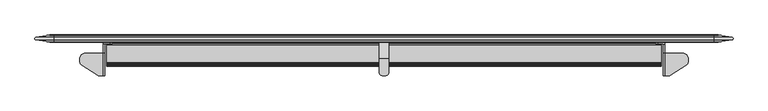
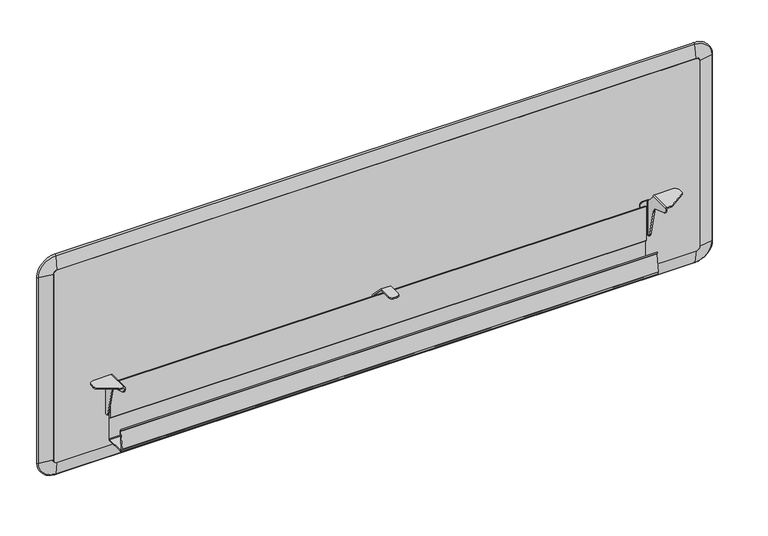
"""IFC4 building model written with IfcOpenShell, lengths in millimetres: furniture geometry."""

from ifc_helpers import new_model, si_unit, point, frame, frame_2d, origin, place, context, project, spatial, polyline, circle_curve, ellipse_curve, trimmed, segment, composite_curve, outline, extrude, source, transform, mapped, element, save
from ifc_brep_helpers import plane_surface, cylinder_surface, revolved_surface, advanced_brep


def furniture_add8d156(model_context):
    return source(origin(), model_context, "Body", "SolidModel", [
        advanced_brep(
        [(37.8460002, 26.549624, 1019.1897249), (47.2440002, 26.549624, 1028.5877249), (47.2440002, 31.9712442, 1064.189321), (2.2444041, 31.9712442, 1019.1897249), (37.8460002, 43.0596241, 1019.1897249), (47.2440002, 43.0596241, 1028.5877249), (2.2444041, 37.638004, 1019.1897249), (47.2440002, 37.638004, 1064.189321), (2.2444041, 31.9712442, 503.0871249), (37.8460002, 26.549624, 503.0871249), (37.8460002, 43.0596241, 503.0871249), (2.2444041, 37.638004, 503.0871249), (47.2440002, 26.549624, 493.6891249), (47.2440002, 31.9712442, 458.0875287), (47.2440002, 43.0596241, 493.6891249), (47.2440002, 37.638004, 458.0875287), (1727.4539998, 31.9712442, 458.0875287), (1727.4539998, 26.549624, 493.6891249), (1727.4539998, 43.0596241, 493.6891249), (1727.4539998, 37.638004, 458.0875287), (1736.8519998, 26.549624, 503.0871249), (1772.4535959, 31.9712442, 503.0871249), (1772.4535959, 31.9712442, 1019.1897249), (1736.8519998, 26.549624, 1019.1897249), (1736.8519998, 43.0596241, 503.0871249), (1736.8519998, 43.0596241, 1019.1897249), (1772.4535959, 37.638004, 503.0871249), (1772.4535959, 37.638004, 1019.1897249), (1727.4539998, 26.549624, 1028.5877249), (1727.4539998, 31.9712442, 1064.189321), (1727.4539998, 43.0596241, 1028.5877249), (1727.4539998, 37.638004, 1064.189321)],
        [
            (0, 1, circle_curve(frame((47.2440002, 26.549624, 1019.1897249), z_axis=(0.0, 1.0, 0.0), x_axis=(0.0, 0.0, 1.0)), 9.398)),
            (1, 2),
            (2, 3, circle_curve(frame((47.2440002, 31.9712442, 1019.1897249), z_axis=(0.0, -1.0, 0.0), x_axis=(0.0, 0.0, 1.0)), 44.9995962)),
            (3, 0),
            (4, 5, circle_curve(frame((47.2440002, 43.0596241, 1019.1897249), z_axis=(0.0, 1.0, 0.0), x_axis=(0.0, 0.0, 1.0)), 9.398)),
            (5, 1),
            (0, 4),
            (6, 7, circle_curve(frame((47.2440002, 37.638004, 1019.1897249), z_axis=(0.0, 1.0, 0.0), x_axis=(0.0, 0.0, 1.0)), 44.9995962)),
            (7, 5),
            (4, 6),
            (2, 7, circle_curve(frame((47.2440002, 34.8046241, 1063.7578373), z_axis=(-1.0, 0.0, 0.0), x_axis=(0.0, 0.0, -1.0)), 2.866046)),
            (6, 3, circle_curve(frame((2.6758878, 34.8046241, 1019.1897249), z_axis=(-1.656996421875594e-12, 0.0, 1.0), x_axis=(1.0, 0.0, 1.656996421875594e-12)), 2.866046)),
            (3, 8),
            (8, 9),
            (9, 0),
            (9, 10),
            (10, 4),
            (10, 11),
            (11, 6),
            (11, 8, circle_curve(frame((2.6758878, 34.8046241, 503.0871249), z_axis=(0.0, 0.0, 1.0), x_axis=(1.0, 0.0, 0.0)), 2.866046)),
            (12, 9, circle_curve(frame((47.2440002, 26.549624, 503.0871249), z_axis=(0.0, 1.0, 0.0), x_axis=(-1.0, 0.0, 0.0)), 9.398)),
            (8, 13, circle_curve(frame((47.2440002, 31.9712442, 503.0871249), z_axis=(0.0, -1.0, 0.0), x_axis=(-1.0, 0.0, 0.0)), 44.9995962)),
            (13, 12),
            (14, 10, circle_curve(frame((47.2440002, 43.0596241, 503.0871249), z_axis=(0.0, 1.0, 0.0), x_axis=(-1.0, 0.0, 0.0)), 9.398)),
            (12, 14),
            (15, 11, circle_curve(frame((47.2440002, 37.638004, 503.0871249), z_axis=(0.0, 1.0, 0.0), x_axis=(-1.0, 0.0, 0.0)), 44.9995962)),
            (14, 15),
            (15, 13, circle_curve(frame((47.2440002, 34.8046241, 458.5190124), z_axis=(-1.0, 0.0, 0.0), x_axis=(0.0, 0.0, 1.0)), 2.866046)),
            (13, 16),
            (16, 17),
            (17, 12),
            (17, 18),
            (18, 14),
            (18, 19),
            (19, 15),
            (19, 16, circle_curve(frame((1727.4539998, 34.8046241, 458.5190124), z_axis=(-1.0, 0.0, 0.0), x_axis=(0.0, 0.0, 1.0)), 2.866046)),
            (20, 21),
            (21, 22),
            (22, 23),
            (23, 20),
            (24, 20),
            (23, 25),
            (25, 24),
            (26, 24),
            (25, 27),
            (27, 26),
            (21, 26, circle_curve(frame((1772.0221122, 34.8046241, 503.0871249), z_axis=(0.0, 0.0, 1.0), x_axis=(-1.0, 0.0, 0.0)), 2.866046)),
            (27, 22, circle_curve(frame((1772.0221122, 34.8046241, 1019.1897249), z_axis=(0.0, 0.0, -1.0), x_axis=(-1.0, 0.0, 0.0)), 2.866046)),
            (28, 23, circle_curve(frame((1727.4539998, 26.549624, 1019.1897249), z_axis=(0.0, 1.0, 0.0), x_axis=(1.0, 0.0, 0.0)), 9.398)),
            (22, 29, circle_curve(frame((1727.4539998, 31.9712442, 1019.1897249), z_axis=(0.0, -1.0, 0.0), x_axis=(1.0, 0.0, 0.0)), 44.9995962)),
            (29, 28),
            (30, 25, circle_curve(frame((1727.4539998, 43.0596241, 1019.1897249), z_axis=(0.0, 1.0, 0.0), x_axis=(1.0, 0.0, 0.0)), 9.398)),
            (28, 30),
            (31, 27, circle_curve(frame((1727.4539998, 37.638004, 1019.1897249), z_axis=(0.0, 1.0, 0.0), x_axis=(1.0, 0.0, 0.0)), 44.9995962)),
            (30, 31),
            (31, 29, circle_curve(frame((1727.4539998, 34.8046241, 1063.7578373), z_axis=(1.0, 0.0, 0.0), x_axis=(0.0, 0.0, -1.0)), 2.866046)),
            (29, 2),
            (1, 28),
            (5, 30),
            (7, 31),
            (20, 17, circle_curve(frame((1727.4539998, 26.549624, 503.0871249), z_axis=(0.0, 1.0, 0.0), x_axis=(0.0, 0.0, -1.0)), 9.398)),
            (16, 21, circle_curve(frame((1727.4539998, 31.9712442, 503.0871249), z_axis=(0.0, -1.0, 0.0), x_axis=(0.0, 0.0, -1.0)), 44.9995962)),
            (24, 18, circle_curve(frame((1727.4539998, 43.0596241, 503.0871249), z_axis=(0.0, 1.0, 0.0), x_axis=(0.0, 0.0, -1.0)), 9.398)),
            (26, 19, circle_curve(frame((1727.4539998, 37.638004, 503.0871249), z_axis=(0.0, 1.0, 0.0), x_axis=(0.0, 0.0, -1.0)), 44.9995962)),
        ],
        [
            revolved_surface(polyline([(47.2440002, 31.9712442, 1064.189321), (47.2440002, 26.549624, 1028.5877249)]), (47.2440002, 34.8046241, 1019.1897249), (0.0, -1.0, 0.0)),
            revolved_surface(polyline([(47.2440002, 26.549624, 1028.5877249), (47.2440002, 43.0596241, 1028.5877249)]), (47.2440002, 34.8046241, 1019.1897249), (0.0, -1.0, 0.0)),
            revolved_surface(polyline([(47.2440002, 43.0596241, 1028.5877249), (47.2440002, 37.638004, 1064.189321)]), (47.2440002, 34.8046241, 1019.1897249), (0.0, -1.0, 0.0)),
            revolved_surface(trimmed(ellipse_curve(frame((47.2440002, 34.8046241, 1063.7578373), z_axis=(1.0, 0.0, 0.0), x_axis=(0.0, 0.0, -1.0)), 2.866046, 2.866046), [point((47.2440002, 37.638004, 1064.189321))], [point((47.2440002, 31.9712442, 1064.189321))], True, "CARTESIAN"), (47.2440002, 34.8046241, 1019.1897249), (0.0, -1.0, 0.0)),
            plane_surface(frame((2.2444041, 31.9712442, 1019.1897249), z_axis=(-0.1505501753136433, -0.9886023693644637, 0.0), x_axis=(0.0, 0.0, -1.0))),
            plane_surface(frame((37.8460002, 26.549624, 1019.1897249), z_axis=(1.0, 0.0, 0.0), x_axis=(0.0, 0.0, -1.0))),
            plane_surface(frame((37.8460002, 43.0596241, 1019.1897249), z_axis=(-0.1505501753136385, 0.9886023693644643, 0.0), x_axis=(0.0, 0.0, -1.0))),
            cylinder_surface(frame((2.6758878, 34.8046241, 1019.1897249), z_axis=(0.0, 0.0, 1.0), x_axis=(1.0, 0.0, 0.0)), 2.866046),
            revolved_surface(polyline([(2.2444041, 31.9712442, 503.0871249), (37.8460002, 26.549624, 503.0871249)]), (47.2440002, 34.8046241, 503.0871249), (0.0, -1.0, 0.0)),
            revolved_surface(polyline([(37.846000200000006, 26.549624, 503.0871249), (37.846000200000006, 43.0596241, 503.0871249)]), (47.2440002, 34.8046241, 503.0871249), (0.0, -1.0, 0.0)),
            revolved_surface(polyline([(37.8460002, 43.0596241, 503.0871249), (2.2444041, 37.638004, 503.0871249)]), (47.2440002, 34.8046241, 503.0871249), (0.0, -1.0, 0.0)),
            revolved_surface(trimmed(ellipse_curve(frame((2.6758878, 34.8046241, 503.0871249), z_axis=(0.0, 0.0, 1.0), x_axis=(1.0, 0.0, 0.0)), 2.866046, 2.866046), [point((2.2444041, 37.638004, 503.0871249))], [point((2.2444041, 31.9712442, 503.0871249))], True, "CARTESIAN"), (47.2440002, 34.8046241, 503.0871249), (0.0, -1.0, 0.0)),
            plane_surface(frame((47.2440002, 31.9712442, 458.0875287), z_axis=(0.0, -0.9886023693644641, -0.1505501753136401), x_axis=(1.0, 0.0, 0.0))),
            plane_surface(frame((47.2440002, 26.549624, 493.6891249), z_axis=(0.0, 0.0, 1.0), x_axis=(1.0, 0.0, 0.0))),
            plane_surface(frame((47.2440002, 43.0596241, 493.6891249), z_axis=(0.0, 0.9886023693644639, -0.1505501753136417), x_axis=(1.0, 0.0, 0.0))),
            cylinder_surface(frame((47.2440002, 34.8046241, 458.5190124), z_axis=(-1.0, 0.0, 0.0), x_axis=(0.0, 0.0, 1.0)), 2.866046),
            plane_surface(frame((1772.4535959, 31.9712442, 503.0871249), z_axis=(0.1505501753136369, -0.9886023693644646, 0.0), x_axis=(0.0, 0.0, 1.0))),
            plane_surface(frame((1736.8519998, 26.549624, 503.0871249), z_axis=(-1.0, 0.0, 0.0), x_axis=(0.0, 0.0, 1.0))),
            plane_surface(frame((1736.8519998, 43.0596241, 503.0871249), z_axis=(0.1505501753136449, 0.9886023693644634, 0.0), x_axis=(0.0, 0.0, 1.0))),
            cylinder_surface(frame((1772.0221122, 34.8046241, 503.0871249), z_axis=(0.0, 0.0, -1.0), x_axis=(-1.0, 0.0, 0.0)), 2.866046),
            revolved_surface(polyline([(1772.4535959, 31.9712442, 1019.1897249), (1736.8519998, 26.549624, 1019.1897249)]), (1727.4539998, 34.8046241, 1019.1897249), (0.0, -1.0, 0.0)),
            revolved_surface(polyline([(1736.8519998, 26.549624, 1019.1897249), (1736.8519998, 43.0596241, 1019.1897249)]), (1727.4539998, 34.8046241, 1019.1897249), (0.0, -1.0, 0.0)),
            revolved_surface(polyline([(1736.8519998, 43.0596241, 1019.1897249), (1772.4535959, 37.638004, 1019.1897249)]), (1727.4539998, 34.8046241, 1019.1897249), (0.0, -1.0, 0.0)),
            revolved_surface(trimmed(ellipse_curve(frame((1772.0221122, 34.8046241, 1019.1897249), z_axis=(0.0, 0.0, -1.0), x_axis=(-1.0, 0.0, 0.0)), 2.866046, 2.866046), [point((1772.4535959, 37.638004, 1019.1897249))], [point((1772.4535959, 31.9712442, 1019.1897249))], True, "CARTESIAN"), (1727.4539998, 34.8046241, 1019.1897249), (0.0, -1.0, 0.0)),
            plane_surface(frame((1727.4539998, 31.9712442, 1064.189321), z_axis=(0.0, -0.9886023693644641, 0.1505501753136401), x_axis=(-1.0, 0.0, 0.0))),
            plane_surface(frame((1727.4539998, 26.549624, 1028.5877249), z_axis=(0.0, 0.0, -1.0), x_axis=(-1.0, 0.0, 0.0))),
            plane_surface(frame((1727.4539998, 43.0596241, 1028.5877249), z_axis=(0.0, 0.9886023693644639, 0.1505501753136417), x_axis=(-1.0, 0.0, 0.0))),
            cylinder_surface(frame((1727.4539998, 34.8046241, 1063.7578373), z_axis=(1.0, 0.0, 0.0), x_axis=(0.0, 0.0, -1.0)), 2.866046),
            revolved_surface(polyline([(1727.4539998, 31.9712442, 458.0875287), (1727.4539998, 26.549624, 493.6891249)]), (1727.4539998, 34.8046241, 503.0871249), (0.0, -1.0, 0.0)),
            revolved_surface(polyline([(1727.4539998, 26.549624, 493.68912489999997), (1727.4539998, 43.0596241, 493.68912489999997)]), (1727.4539998, 34.8046241, 503.0871249), (0.0, -1.0, 0.0)),
            revolved_surface(polyline([(1727.4539998, 43.0596241, 493.6891249), (1727.4539998, 37.638004, 458.0875287)]), (1727.4539998, 34.8046241, 503.0871249), (0.0, -1.0, 0.0)),
            revolved_surface(trimmed(ellipse_curve(frame((1727.4539998, 34.8046241, 458.5190124), z_axis=(-1.0, 0.0, 0.0), x_axis=(0.0, 0.0, 1.0)), 2.866046, 2.866046), [point((1727.4539998, 37.638004, 458.0875287))], [point((1727.4539998, 31.9712442, 458.0875287))], True, "CARTESIAN"), (1727.4539998, 34.8046241, 503.0871249), (0.0, -1.0, 0.0)),
        ],
        [
            (0, [[1, 2, 3, 4]]),
            (1, [[5, 6, -1, 7]]),
            (2, [[8, 9, -5, 10]]),
            (3, [[-3, 11, -8, 12]]),
            (4, [[-4, 13, 14, 15]]),
            (5, [[-7, -15, 16, 17]]),
            (6, [[-10, -17, 18, 19]]),
            (7, [[-12, -19, 20, -13]]),
            (8, [[21, -14, 22, 23]]),
            (9, [[24, -16, -21, 25]]),
            (10, [[26, -18, -24, 27]]),
            (11, [[-22, -20, -26, 28]]),
            (12, [[-23, 29, 30, 31]]),
            (13, [[-25, -31, 32, 33]]),
            (14, [[-27, -33, 34, 35]]),
            (15, [[-28, -35, 36, -29]]),
            (16, [[37, 38, 39, 40]]),
            (17, [[41, -40, 42, 43]]),
            (18, [[44, -43, 45, 46]]),
            (19, [[47, -46, 48, -38]]),
            (20, [[49, -39, 50, 51]]),
            (21, [[52, -42, -49, 53]]),
            (22, [[54, -45, -52, 55]]),
            (23, [[-50, -48, -54, 56]]),
            (24, [[-51, 57, -2, 58]]),
            (25, [[-53, -58, -6, 59]]),
            (26, [[-55, -59, -9, 60]]),
            (27, [[-56, -60, -11, -57]]),
            (28, [[61, -30, 62, -37]]),
            (29, [[63, -32, -61, -41]]),
            (30, [[64, -34, -63, -44]]),
            (31, [[-62, -36, -64, -47]]),
        ],
    ),
        extrude(outline(composite_curve([segment(polyline([(1028.5877249, 1727.4539998), (1028.5877249, 47.2440002)]), True, "CONTINUOUS"), segment(trimmed(circle_curve(frame_2d((1019.1897249, 47.2440002)), 9.398), [point((1028.5877249, 47.2440002))], [point((1019.1897249, 37.8460002))], False, "CARTESIAN"), True, "CONTINUOUS"), segment(polyline([(1019.1897249, 37.8460002), (503.0871249, 37.8460002)]), True, "CONTINUOUS"), segment(trimmed(circle_curve(frame_2d((503.0871249, 47.2440002)), 9.398), [point((503.0871249, 37.8460002))], [point((493.6891249, 47.2440002))], False, "CARTESIAN"), True, "CONTINUOUS"), segment(polyline([(493.6891249, 47.2440002), (493.6891249, 1727.4539998)]), True, "CONTINUOUS"), segment(trimmed(circle_curve(frame_2d((503.0871249, 1727.4539998)), 9.398), [point((493.6891249, 1727.4539998))], [point((503.0871249, 1736.8519998))], False, "CARTESIAN"), True, "CONTINUOUS"), segment(polyline([(503.0871249, 1736.8519998), (1019.1897249, 1736.8519998)]), True, "CONTINUOUS"), segment(trimmed(circle_curve(frame_2d((1019.1897249, 1727.4539998)), 9.398), [point((1019.1897249, 1736.8519998))], [point((1028.5877249, 1727.4539998))], False, "CARTESIAN"), True, "CONTINUOUS")], self_intersect=False)), frame((0.0, 25.4066228, 0.0), z_axis=(0.0, 1.0, 0.0), x_axis=(0.0, 0.0, 1.0)), (0.0, 0.0, 1.0), 18.7960025),
        extrude(outline(composite_curve([segment(polyline([(-29.6214455, 566.0400135), (-32.2417275, 568.6602751), (-31.9020339, 572.8107121), (-26.2692382, 567.1779164), (-32.5488339, 519.4796569)]), True, "CONTINUOUS"), segment(trimmed(circle_curve(frame_2d((-26.2531591, 518.6508155)), 6.35), [point((-32.5488339, 519.4796569))], [point((-26.2531591, 512.3008155))], True, "CARTESIAN"), True, "CONTINUOUS"), segment(polyline([(-26.2531591, 512.3008155), (20.6071565, 512.3008155), (22.1946573, 513.8882913), (22.1946573, 570.4668145), (19.0196569, 573.6418024), (19.0196569, 667.977396), (22.1946573, 667.977396), (22.1946573, 574.9569474), (25.3696565, 571.7819232), (25.3696565, 512.3008155), (24.4397214, 510.055749), (22.1946573, 509.1257913), (-26.0079813, 509.1257913)]), True, "CONTINUOUS"), segment(trimmed(circle_curve(frame_2d((-26.0079813, 518.8658104)), 9.7400191), [point((-26.0079813, 509.1257913))], [point((-35.6646732, 520.1371379))], False, "CARTESIAN"), True, "CONTINUOUS"), segment(polyline([(-35.6646732, 520.1371379), (-29.6214455, 566.0400135)]), True, "CONTINUOUS")], self_intersect=False)), frame((183.0831925, 0.0, 0.0), z_axis=(1.0, 0.0, 0.0), x_axis=(0.0, 1.0, 0.0)), (0.0, 0.0, 1.0), 1408.5316072),
        advanced_brep(
        [(1596.1359998, 22.0728737, 681.0643879), (1597.6599983, 20.5488729, 681.0643879), (1600.7079954, 20.5488729, 681.0643879), (1600.7079954, 25.1208731, 681.0643879), (1584.7059985, 25.1208731, 681.0643879), (1584.7059985, 22.0728737, 681.0643879), (1600.7079998, 18.5173958, 585.8154416), (1597.6599998, 18.5173958, 585.8154416), (1597.6599998, 20.5488729, 585.8154416), (1596.1359998, 22.0728737, 585.8154416), (1584.7059985, 22.0728737, 585.8154416), (1584.7059985, 25.1208731, 585.8154416), (1600.7079954, 25.1208731, 585.8154416), (1600.7079954, 20.5488729, 681.3737901), (1600.7079954, -2.6141187, 706.2063852), (1600.7079954, -59.9691275, 706.2063881), (1600.7079954, -59.9691275, 703.6685243), (1600.7079954, -51.0192378, 691.5348244), (1600.7079954, -19.5344252, 681.8039492), (1600.7079954, -4.0487508, 665.2685282), (1600.7079954, 14.0702213, 589.3263938), (1578.3559985, 25.1208731, 592.1654416), (1578.3559985, 25.1208731, 674.7143879), (1578.3559985, 22.0728737, 674.7143879), (1578.3559985, 22.0728737, 592.1654416), (1602.2827917, -59.9691275, 707.7811438), (1610.5824919, -59.9691275, 707.7811438), (1610.5824919, -59.9691275, 710.8545753), (1600.8349998, -59.9691275, 710.8545753), (1597.6599998, -59.9691275, 707.6795753), (1597.6599998, -59.9691275, 703.6685243), (1597.6599998, -2.6141187, 706.2063852), (1597.6599998, -2.6141187, 707.6795753), (1600.8349998, -2.6141187, 710.8545753), (1647.3169927, -2.6141187, 710.8545753), (1647.3169927, -2.6141187, 707.7811438), (1602.2827917, -2.6141187, 707.7811438), (1597.6599998, 20.5488729, 681.3737901), (1597.6599998, 14.0702213, 589.3263938), (1597.6599998, -4.0487508, 665.2685282), (1597.6599998, -19.5344252, 681.8039492), (1597.6599998, -51.0192378, 691.5348244), (1615.4892117, -58.4923724, 710.8545753), (1656.6687126, -31.236255, 710.8545753), (1660.6519927, -23.8230101, 710.8545753), (1660.6519927, -15.9491187, 710.8545753), (1656.6687126, -31.236255, 707.7811438), (1615.4892117, -58.4923724, 707.7811438), (1660.6519927, -15.9491187, 707.7811438), (1660.6519927, -23.8230101, 707.7811438)],
        [
            (0, 1),
            (1, 2),
            (2, 3),
            (3, 4),
            (4, 5),
            (5, 0),
            (6, 7),
            (7, 8),
            (8, 9),
            (9, 10),
            (10, 11),
            (11, 12),
            (12, 6),
            (0, 9),
            (8, 1),
            (2, 13),
            (13, 14),
            (14, 15),
            (15, 16),
            (16, 17, circle_curve(frame((1600.7079954, -47.2691275, 703.6685243), z_axis=(1.0, 0.0, 0.0), x_axis=(0.0, 0.0, -1.0)), 12.7)),
            (17, 18),
            (18, 19, circle_curve(frame((1600.7079954, -26.2846237, 659.9632894), z_axis=(-1.0, 0.0, 0.0), x_axis=(0.0, 0.0, -1.0)), 22.86)),
            (19, 20),
            (20, 6, circle_curve(frame((1600.7079954, 18.5173958, 590.3874416), z_axis=(1.0, 0.0, 0.0), x_axis=(0.0, 0.0, -1.0)), 4.572)),
            (12, 3),
            (11, 21, circle_curve(frame((1584.7059985, 25.1208731, 592.1654416), z_axis=(0.0, 1.0, 0.0), x_axis=(-1.0, 0.0, 0.0)), 6.35)),
            (21, 22),
            (22, 4, circle_curve(frame((1584.7059985, 25.1208731, 674.7143879), z_axis=(0.0, 1.0, 0.0), x_axis=(-1.0, 0.0, 0.0)), 6.35)),
            (5, 23, circle_curve(frame((1584.7059985, 22.0728737, 674.7143879), z_axis=(0.0, -1.0, 0.0), x_axis=(-1.0, 0.0, 0.0)), 6.35)),
            (23, 24),
            (24, 10, circle_curve(frame((1584.7059985, 22.0728737, 592.1654416), z_axis=(0.0, -1.0, 0.0), x_axis=(-1.0, 0.0, 0.0)), 6.35)),
            (24, 21),
            (23, 22),
            (15, 25),
            (25, 26),
            (26, 27),
            (27, 28),
            (28, 29, circle_curve(frame((1600.8349998, -59.9691275, 707.6795753), z_axis=(0.0, -1.0, 0.0), x_axis=(-1.0, 0.0, 0.0)), 3.175)),
            (29, 30),
            (30, 16),
            (31, 32),
            (32, 33, circle_curve(frame((1600.8349998, -2.6141187, 707.6795753), z_axis=(0.0, 1.0, 0.0), x_axis=(-1.0, 0.0, 0.0)), 3.175)),
            (33, 34),
            (34, 35),
            (35, 36),
            (36, 14),
            (14, 31),
            (29, 32),
            (31, 37),
            (37, 1),
            (7, 38, circle_curve(frame((1597.6599998, 18.5173958, 590.3874416), z_axis=(-1.0, 0.0, 0.0), x_axis=(0.0, 0.0, -1.0)), 4.572)),
            (38, 39),
            (39, 40, circle_curve(frame((1597.6599998, -26.2846237, 659.9632894), z_axis=(1.0, 0.0, 0.0), x_axis=(0.0, 0.0, -1.0)), 22.86)),
            (40, 41),
            (41, 30, circle_curve(frame((1597.6599998, -47.2691275, 703.6685243), z_axis=(-1.0, 0.0, 0.0), x_axis=(0.0, 0.0, -1.0)), 12.7)),
            (36, 25),
            (28, 33),
            (27, 42, circle_curve(frame((1610.5824919, -51.0791275, 710.8545753), z_axis=(0.0, 0.0, 1.0), x_axis=(-1.0, 0.0, 0.0)), 8.89)),
            (42, 43),
            (43, 44, circle_curve(frame((1651.7619927, -23.8230101, 710.8545753), z_axis=(0.0, 0.0, 1.0), x_axis=(-1.0, 0.0, 0.0)), 8.89)),
            (44, 45),
            (45, 34, circle_curve(frame((1647.3169927, -15.9491187, 710.8545753), z_axis=(0.0, 0.0, 1.0), x_axis=(-1.0, 0.0, 0.0)), 13.335)),
            (46, 47),
            (47, 26, circle_curve(frame((1610.5824919, -51.0791275, 707.7811438), z_axis=(0.0, 0.0, -1.0), x_axis=(-1.0, 0.0, 0.0)), 8.89)),
            (35, 48, circle_curve(frame((1647.3169927, -15.9491187, 707.7811438), z_axis=(0.0, 0.0, -1.0), x_axis=(-1.0, 0.0, 0.0)), 13.335)),
            (48, 49),
            (49, 46, circle_curve(frame((1651.7619927, -23.8230101, 707.7811438), z_axis=(0.0, 0.0, -1.0), x_axis=(-1.0, 0.0, 0.0)), 8.89)),
            (42, 47),
            (46, 43),
            (45, 48),
            (44, 49),
            (37, 13),
            (20, 38),
            (19, 39),
            (18, 40),
            (17, 41),
        ],
        [
            plane_surface(frame((1596.1359998, 25.1208731, 681.0643879), z_axis=(0.0, 0.0, 1.0), x_axis=(0.0, -1.0, 0.0))),
            plane_surface(frame((1596.1359998, 25.1208731, 585.8154416), z_axis=(0.0, 0.0, -1.0), x_axis=(0.0, -1.0, 0.0))),
            plane_surface(frame((1596.1359998, 22.0728737, 681.0643879), z_axis=(-0.7071073080222255, -0.707106254350477, 0.0), x_axis=(0.0, 0.0, -1.0))),
            plane_surface(frame((1600.7079954, 20.5488729, 681.0643879), z_axis=(1.0, 0.0, 0.0), x_axis=(0.0, 0.0, -1.0))),
            plane_surface(frame((1600.7079954, 25.1208731, 681.0643879), z_axis=(0.0, 1.0, 0.0), x_axis=(0.0, 0.0, -1.0))),
            plane_surface(frame((1584.7059985, 22.0728737, 681.0643879), z_axis=(0.0, -1.0, 0.0), x_axis=(-1.0, 0.0, 0.0))),
            cylinder_surface(frame((1584.7059985, 25.1208731, 592.1654416), z_axis=(0.0, -1.0, 0.0), x_axis=(-1.0, 0.0, 0.0)), 6.35),
            plane_surface(frame((1578.3559985, 22.0728737, 674.7143879), z_axis=(-1.0, 0.0, 0.0), x_axis=(0.0, 1.0, 0.0))),
            cylinder_surface(frame((1584.7059985, 25.1208731, 674.7143879), z_axis=(0.0, -1.0, 0.0), x_axis=(-1.0, 0.0, 0.0)), 6.35),
            plane_surface(frame((1597.6599998, -59.9691275, 706.2063852), z_axis=(0.0, -1.0, 0.0), x_axis=(0.0, 0.0, 1.0))),
            plane_surface(frame((1597.6599998, -2.6141187, 706.2063852), z_axis=(0.0, 1.0, 0.0), x_axis=(0.0, 0.0, 1.0))),
            plane_surface(frame((1597.6599998, -59.9691275, 707.6795753), z_axis=(-1.0, 0.0, 0.0), x_axis=(0.0, 1.0, 0.0))),
            plane_surface(frame((1600.7079969, -59.9691275, 706.2063852), z_axis=(0.707098623564232, 0.0, -0.7071149387147527), x_axis=(0.0, 1.0, 0.0))),
            cylinder_surface(frame((1600.8349998, -59.9691275, 707.6795753), z_axis=(0.0, -1.0, 0.0), x_axis=(-1.0, 0.0, 0.0)), 3.175),
            plane_surface(frame((1602.2827917, -59.9691275, 710.8545753), z_axis=(0.0, 0.0, 1.0), x_axis=(0.0, 1.0, 0.0))),
            plane_surface(frame((1642.8719927, -23.8230101, 707.7811438), z_axis=(0.0, 0.0, -1.0), x_axis=(0.0, 1.0, 0.0))),
            plane_surface(frame((1615.4892117, -58.4923724, 710.8545753), z_axis=(0.5519369911431341, -0.8338858182076633, 0.0), x_axis=(0.0, 0.0, -1.0))),
            cylinder_surface(frame((1610.5824919, -51.0791275, 707.7811438), z_axis=(0.0, 0.0, 1.0), x_axis=(-1.0, 0.0, 0.0)), 8.89),
            cylinder_surface(frame((1647.3169927, -15.9491187, 707.7811438), z_axis=(0.0, 0.0, 1.0), x_axis=(-1.0, 0.0, 0.0)), 13.335),
            plane_surface(frame((1660.6519927, -23.8230101, 710.8545753), z_axis=(1.0, 0.0, 0.0), x_axis=(0.0, 0.0, -1.0))),
            cylinder_surface(frame((1651.7619927, -23.8230101, 707.7811438), z_axis=(0.0, 0.0, 1.0), x_axis=(-1.0, 0.0, 0.0)), 8.89),
            plane_surface(frame((1600.7079998, 20.5488729, 585.8154416), z_axis=(0.0, 1.0, 0.0), x_axis=(-1.0, 0.0, 0.0))),
            plane_surface(frame((1600.7079998, 20.5488729, 681.3737901), z_axis=(0.0, 0.7312623065650411, 0.6820963560943394), x_axis=(-1.0, 0.0, 0.0))),
            cylinder_surface(frame((1597.6599998, 18.5173958, 590.3874416), z_axis=(1.0, 0.0, 0.0), x_axis=(0.0, 0.0, -1.0)), 4.572),
            plane_surface(frame((1600.7079998, -4.0487508, 665.2685282), z_axis=(0.0, -0.972697849560511, -0.23207518923908624), x_axis=(-1.0, 0.0, 0.0))),
            revolved_surface(polyline([(1597.6599998, -26.2846237, 637.1032894), (1600.7079954, -26.2846237, 637.1032894)]), (1597.6599998, -26.2846237, 659.9632894), (-1.0, 0.0, 0.0)),
            plane_surface(frame((1600.7079998, -51.0192378, 691.5348244), z_axis=(0.0, -0.2952842736686701, -0.9554094398340254), x_axis=(-1.0, 0.0, 0.0))),
            cylinder_surface(frame((1597.6599998, -47.2691275, 703.6685243), z_axis=(1.0, 0.0, 0.0), x_axis=(0.0, 0.0, -1.0)), 12.7),
        ],
        [
            (0, [[1, 2, 3, 4, 5, 6]]),
            (1, [[7, 8, 9, 10, 11, 12, 13]]),
            (2, [[-1, 14, -9, 15]]),
            (3, [[-3, 16, 17, 18, 19, 20, 21, 22, 23, 24, -13, 25]]),
            (4, [[-25, -12, 26, 27, 28, -4]]),
            (5, [[-6, 29, 30, 31, -10, -14]]),
            (6, [[-31, 32, -26, -11]]),
            (7, [[-30, 33, -27, -32]]),
            (8, [[-29, -5, -28, -33]]),
            (9, [[34, 35, 36, 37, 38, 39, 40, -19]]),
            (10, [[41, 42, 43, 44, 45, 46, 47]]),
            (11, [[-39, 48, -41, 49, 50, -15, -8, 51, 52, 53, 54, 55]]),
            (12, [[-34, -18, -46, 56]]),
            (13, [[-38, 57, -42, -48]]),
            (14, [[-57, -37, 58, 59, 60, 61, 62, -43]]),
            (15, [[63, 64, -35, -56, -45, 65, 66, 67]]),
            (16, [[-59, 68, -63, 69]]),
            (17, [[-58, -36, -64, -68]]),
            (18, [[-62, 70, -65, -44]]),
            (19, [[-61, 71, -66, -70]]),
            (20, [[-60, -69, -67, -71]]),
            (21, [[72, -16, -2, -50]]),
            (22, [[-49, -47, -17, -72]]),
            (23, [[-51, -7, -24, 73]]),
            (24, [[-52, -73, -23, 74]]),
            (25, [[-53, -74, -22, 75]]),
            (26, [[-54, -75, -21, 76]]),
            (27, [[-55, -76, -20, -40]]),
        ],
    ),
        advanced_brep(
        [(177.0380017, -59.9691275, 703.6685243), (177.0380017, -51.0192378, 691.5348244), (177.0380017, -19.5344252, 681.8039492), (177.0380017, -4.0487508, 665.2685282), (177.0380017, 14.0702213, 589.3263938), (177.0380017, 18.5173958, 585.8154416), (177.0380017, 20.5488729, 585.8154416), (177.0380017, 20.5488729, 681.0643879), (177.0380017, 20.5488729, 681.3737901), (177.0380017, -2.6141187, 706.2063852), (177.0380017, -2.6141187, 707.6795753), (177.0380017, -59.9691275, 707.6795753), (173.9900046, -2.6141187, 706.2063852), (173.9900046, 20.5488729, 681.3737901), (173.9900046, 20.5488729, 681.0643879), (173.9900046, 25.1208731, 681.0643879), (173.9900046, 25.1208731, 585.8154416), (173.9900046, 18.5173958, 585.8154416), (173.9900046, 14.0702213, 589.3263938), (173.9900046, -4.0487508, 665.2685282), (173.9900046, -19.5344252, 681.8039492), (173.9900046, -51.0192378, 691.5348244), (173.9900046, -59.9691275, 703.6685243), (173.9900046, -59.9691275, 706.2063852), (173.8630017, -59.9691275, 710.8545753), (164.1155081, -59.9691275, 710.8545753), (164.1155081, -59.9691275, 707.7811438), (172.4152097, -59.9691275, 707.7811438), (189.9920015, 25.1208731, 585.8154416), (189.9920015, 22.0728737, 585.8154416), (178.5620002, 22.0728737, 585.8154416), (178.5620002, 22.0728737, 681.0643879), (189.9920015, 22.0728737, 681.0643879), (189.9920015, 25.1208731, 681.0643879), (196.3420015, 25.1208731, 674.7143879), (196.3420015, 25.1208731, 592.1654416), (196.3420015, 22.0728737, 592.1654416), (196.3420015, 22.0728737, 674.7143879), (172.4152097, -2.6141187, 707.7811438), (127.3810073, -2.6141187, 707.7811438), (127.3810073, -2.6141187, 710.8545753), (173.8630017, -2.6141187, 710.8545753), (114.0460073, -15.9491187, 710.8545753), (114.0460073, -23.8230101, 710.8545753), (118.0292874, -31.236255, 710.8545753), (159.2087883, -58.4923724, 710.8545753), (118.0292874, -31.236255, 707.7811438), (114.0460073, -23.8230101, 707.7811438), (114.0460073, -15.9491187, 707.7811438), (159.2087883, -58.4923724, 707.7811438)],
        [
            (0, 1, circle_curve(frame((177.0380017, -47.2691275, 703.6685243), z_axis=(1.0, 0.0, 0.0), x_axis=(0.0, 0.0, -1.0)), 12.7)),
            (1, 2),
            (2, 3, circle_curve(frame((177.0380017, -26.2846237, 659.9632894), z_axis=(-1.0, 0.0, 0.0), x_axis=(0.0, 0.0, -1.0)), 22.86)),
            (3, 4),
            (4, 5, circle_curve(frame((177.0380017, 18.5173958, 590.3874416), z_axis=(1.0, 0.0, 0.0), x_axis=(0.0, 0.0, -1.0)), 4.572)),
            (5, 6),
            (6, 7),
            (7, 8),
            (8, 9),
            (9, 10),
            (10, 11),
            (11, 0),
            (12, 13),
            (13, 14),
            (14, 15),
            (15, 16),
            (16, 17),
            (17, 18, circle_curve(frame((173.9900046, 18.5173958, 590.3874416), z_axis=(-1.0, 0.0, 0.0), x_axis=(0.0, 0.0, -1.0)), 4.572)),
            (18, 19),
            (19, 20, circle_curve(frame((173.9900046, -26.2846237, 659.9632894), z_axis=(1.0, 0.0, 0.0), x_axis=(0.0, 0.0, -1.0)), 22.86)),
            (20, 21),
            (21, 22, circle_curve(frame((173.9900046, -47.2691275, 703.6685243), z_axis=(-1.0, 0.0, 0.0), x_axis=(0.0, 0.0, -1.0)), 12.7)),
            (22, 23),
            (23, 12),
            (13, 8),
            (7, 14),
            (22, 0),
            (11, 24, circle_curve(frame((173.8630017, -59.9691275, 707.6795753), z_axis=(0.0, -1.0, 0.0), x_axis=(-1.0, 0.0, 0.0)), 3.175)),
            (24, 25),
            (25, 26),
            (26, 27),
            (27, 23),
            (12, 9),
            (5, 17),
            (16, 28),
            (28, 29),
            (29, 30),
            (30, 6),
            (4, 18),
            (3, 19),
            (2, 20),
            (1, 21),
            (7, 31),
            (31, 32),
            (32, 33),
            (33, 15),
            (33, 34, circle_curve(frame((189.9920015, 25.1208731, 674.7143879), z_axis=(0.0, 1.0, 0.0), x_axis=(1.0, 0.0, 0.0)), 6.35)),
            (34, 35),
            (35, 28, circle_curve(frame((189.9920015, 25.1208731, 592.1654416), z_axis=(0.0, 1.0, 0.0), x_axis=(1.0, 0.0, 0.0)), 6.35)),
            (30, 31),
            (29, 36, circle_curve(frame((189.9920015, 22.0728737, 592.1654416), z_axis=(0.0, -1.0, 0.0), x_axis=(1.0, 0.0, 0.0)), 6.35)),
            (36, 37),
            (37, 32, circle_curve(frame((189.9920015, 22.0728737, 674.7143879), z_axis=(0.0, -1.0, 0.0), x_axis=(1.0, 0.0, 0.0)), 6.35)),
            (35, 36),
            (34, 37),
            (12, 38),
            (38, 39),
            (39, 40),
            (40, 41),
            (41, 10, circle_curve(frame((173.8630017, -2.6141187, 707.6795753), z_axis=(0.0, 1.0, 0.0), x_axis=(-1.0, 0.0, 0.0)), 3.175)),
            (27, 38),
            (41, 24),
            (40, 42, circle_curve(frame((127.3810073, -15.9491187, 710.8545753), z_axis=(0.0, 0.0, 1.0), x_axis=(1.0, 0.0, 0.0)), 13.335)),
            (42, 43),
            (43, 44, circle_curve(frame((122.9360073, -23.8230101, 710.8545753), z_axis=(0.0, 0.0, 1.0), x_axis=(-1.0, 0.0, 0.0)), 8.89)),
            (44, 45),
            (45, 25, circle_curve(frame((164.1155081, -51.0791275, 710.8545753), z_axis=(0.0, 0.0, 1.0), x_axis=(-1.0, 0.0, 0.0)), 8.89)),
            (46, 47, circle_curve(frame((122.9360073, -23.8230101, 707.7811438), z_axis=(0.0, 0.0, -1.0), x_axis=(-1.0, 0.0, 0.0)), 8.89)),
            (47, 48),
            (48, 39, circle_curve(frame((127.3810073, -15.9491187, 707.7811438), z_axis=(0.0, 0.0, -1.0), x_axis=(1.0, 0.0, 0.0)), 13.335)),
            (26, 49, circle_curve(frame((164.1155081, -51.0791275, 707.7811438), z_axis=(0.0, 0.0, -1.0), x_axis=(-1.0, 0.0, 0.0)), 8.89)),
            (49, 46),
            (44, 46),
            (49, 45),
            (48, 42),
            (47, 43),
        ],
        [
            plane_surface(frame((177.0380017, -2.6141187, 706.2063852), z_axis=(1.0, 0.0, 0.0), x_axis=(0.0, -0.6820963560943393, 0.7312623065650412))),
            plane_surface(frame((173.9900046, -2.6141187, 706.2063852), z_axis=(-1.0, 0.0, 0.0), x_axis=(0.0, 0.6820963560943393, -0.7312623065650412))),
            plane_surface(frame((173.9900046, 20.5488729, 681.3737901), z_axis=(0.0, 1.0, 0.0), x_axis=(1.0, 0.0, 0.0))),
            plane_surface(frame((173.9900046, -59.9691275, 703.6685243), z_axis=(0.0, -1.0, 0.0), x_axis=(1.0, 0.0, 0.0))),
            plane_surface(frame((173.9900046, -2.6141187, 706.2063852), z_axis=(0.0, 0.7312623065650412, 0.6820963560943393), x_axis=(1.0, 0.0, 0.0))),
            plane_surface(frame((173.9900046, 20.5488729, 585.8154416), z_axis=(0.0, 0.0, -1.0), x_axis=(1.0, 0.0, 0.0))),
            cylinder_surface(frame((177.0380017, 18.5173958, 590.3874416), z_axis=(-1.0, 0.0, 0.0), x_axis=(0.0, 0.0, -1.0)), 4.572),
            plane_surface(frame((173.9900046, 14.0702213, 589.3263938), z_axis=(0.0, -0.972697849560511, -0.23207518923908593), x_axis=(1.0, 0.0, 0.0))),
            revolved_surface(polyline([(177.0380017, -26.2846237, 637.1032894), (173.9900046, -26.2846237, 637.1032894)]), (177.0380017, -26.2846237, 659.9632894), (1.0, 0.0, 0.0)),
            plane_surface(frame((173.9900046, -19.5344252, 681.8039492), z_axis=(0.0, -0.29528427366866977, -0.9554094398340254), x_axis=(1.0, 0.0, 0.0))),
            cylinder_surface(frame((177.0380017, -47.2691275, 703.6685243), z_axis=(-1.0, 0.0, 0.0), x_axis=(0.0, 0.0, -1.0)), 12.7),
            plane_surface(frame((178.5620002, 25.1208731, 681.0643879), z_axis=(0.0, 0.0, 1.0), x_axis=(0.0, -1.0, 0.0))),
            plane_surface(frame((178.5620002, 25.1208731, 681.0643879), z_axis=(0.0, 1.0, 0.0), x_axis=(0.0, 0.0, -1.0))),
            plane_surface(frame((177.0380017, 20.5488729, 681.0643879), z_axis=(0.7071073080221921, -0.7071062543505103, 0.0), x_axis=(0.0, 0.0, -1.0))),
            plane_surface(frame((178.5620002, 22.0728737, 585.8154416), z_axis=(0.0, -1.0, 0.0), x_axis=(0.0, 0.0, -1.0))),
            cylinder_surface(frame((189.9920015, 25.1208731, 592.1654416), z_axis=(0.0, -1.0, 0.0), x_axis=(1.0, 0.0, 0.0)), 6.35),
            plane_surface(frame((196.3420015, 22.0728737, 592.1654416), z_axis=(1.0, 0.0, 0.0), x_axis=(0.0, 1.0, 0.0))),
            cylinder_surface(frame((189.9920015, 25.1208731, 674.7143879), z_axis=(0.0, -1.0, 0.0), x_axis=(1.0, 0.0, 0.0)), 6.35),
            plane_surface(frame((177.0380017, -2.6141187, 706.2063852), z_axis=(0.0, 1.0, 0.0), x_axis=(0.0, 0.0, 1.0))),
            plane_surface(frame((172.4152097, -59.9691275, 707.7811438), z_axis=(-0.707098623564232, 0.0, -0.7071149387147527), x_axis=(0.0, 1.0, 0.0))),
            cylinder_surface(frame((173.8630017, -59.9691275, 707.6795753), z_axis=(0.0, -1.0, 0.0), x_axis=(-1.0, 0.0, 0.0)), 3.175),
            plane_surface(frame((173.8630017, -59.9691275, 710.8545753), z_axis=(0.0, 0.0, 1.0), x_axis=(0.0, 1.0, 0.0))),
            plane_surface(frame((118.0292825, -31.2362518, 707.7811438), z_axis=(0.0, 0.0, -1.0), x_axis=(-0.8338858182076654, 0.5519369911431308, 0.0))),
            plane_surface(frame((118.0292874, -31.236255, 710.8545753), z_axis=(-0.5519369911431308, -0.8338858182076654, 0.0), x_axis=(0.0, 0.0, -1.0))),
            cylinder_surface(frame((164.1155081, -51.0791275, 707.7811438), z_axis=(0.0, 0.0, 1.0), x_axis=(-1.0, 0.0, 0.0)), 8.89),
            cylinder_surface(frame((127.3810073, -15.9491187, 707.7811438), z_axis=(0.0, 0.0, 1.0), x_axis=(1.0, 0.0, 0.0)), 13.335),
            plane_surface(frame((114.0460073, -15.9491187, 710.8545753), z_axis=(-1.0, 0.0, 0.0), x_axis=(0.0, 0.0, -1.0))),
            cylinder_surface(frame((122.9360073, -23.8230101, 707.7811438), z_axis=(0.0, 0.0, 1.0), x_axis=(-1.0, 0.0, 0.0)), 8.89),
        ],
        [
            (0, [[1, 2, 3, 4, 5, 6, 7, 8, 9, 10, 11, 12]]),
            (1, [[13, 14, 15, 16, 17, 18, 19, 20, 21, 22, 23, 24]]),
            (2, [[25, -8, 26, -14]]),
            (3, [[-23, 27, -12, 28, 29, 30, 31, 32]]),
            (4, [[-9, -25, -13, 33]]),
            (5, [[-6, 34, -17, 35, 36, 37, 38]]),
            (6, [[-5, 39, -18, -34]]),
            (7, [[-4, 40, -19, -39]]),
            (8, [[-3, 41, -20, -40]]),
            (9, [[-2, 42, -21, -41]]),
            (10, [[-1, -27, -22, -42]]),
            (11, [[-15, -26, 43, 44, 45, 46]]),
            (12, [[-16, -46, 47, 48, 49, -35]]),
            (13, [[-43, -7, -38, 50]]),
            (14, [[-37, 51, 52, 53, -44, -50]]),
            (15, [[-51, -36, -49, 54]]),
            (16, [[-52, -54, -48, 55]]),
            (17, [[-53, -55, -47, -45]]),
            (18, [[56, 57, 58, 59, 60, -10, -33]]),
            (19, [[-32, 61, -56, -24]]),
            (20, [[-28, -11, -60, 62]]),
            (21, [[-29, -62, -59, 63, 64, 65, 66, 67]]),
            (22, [[68, 69, 70, -57, -61, -31, 71, 72]]),
            (23, [[-66, 73, -72, 74]]),
            (24, [[-67, -74, -71, -30]]),
            (25, [[-63, -58, -70, 75]]),
            (26, [[-64, -75, -69, 76]]),
            (27, [[-65, -76, -68, -73]]),
        ],
    ),
        advanced_brep(
        [(874.649, -17.3139164, 707.9894159), (874.649, -50.0365943, 707.9894159), (874.649, -50.0365912, 711.037413), (874.649, -16.0513935, 711.037413), (874.649, 25.4066228, 669.5794217), (874.649, 25.4066228, 607.9896332), (874.649, 22.3534071, 607.9896362), (874.649, 22.3534071, 668.3221424), (900.049, -17.3139164, 707.9894159), (900.049, 22.3534071, 668.3221424), (900.049, 22.3534071, 607.9896332), (900.049, 25.4066228, 607.9896362), (900.049, 25.4066228, 669.5794217), (900.049, -16.0513935, 711.037413), (900.049, -50.0365943, 711.037413), (900.049, -50.0365912, 707.9894159), (884.174003, 22.3534071, 598.4646332), (890.523997, 22.3534071, 598.4646332), (890.523997, 25.4066228, 598.4646332), (884.174003, 25.4066228, 598.4646332), (884.174003, -59.5615943, 711.037413), (890.523997, -59.5615943, 711.037413), (890.523997, -59.5615943, 707.9894159), (884.174003, -59.5615943, 707.9894159)],
        [
            (0, 1),
            (1, 2),
            (2, 3),
            (3, 4),
            (4, 5),
            (5, 6),
            (6, 7),
            (7, 0),
            (8, 9),
            (9, 10),
            (10, 11),
            (11, 12),
            (12, 13),
            (13, 14),
            (14, 15),
            (15, 8),
            (7, 9),
            (8, 0),
            (6, 16, circle_curve(frame((884.174003, 22.3534071, 607.9896362), z_axis=(0.0, -1.0, 0.0), x_axis=(0.0, 0.0, -1.0)), 9.525003)),
            (16, 17),
            (17, 10, circle_curve(frame((890.523997, 22.3534071, 607.9896362), z_axis=(0.0, -1.0, 0.0), x_axis=(0.0, 0.0, -1.0)), 9.525003)),
            (4, 12),
            (11, 18, circle_curve(frame((890.523997, 25.4066228, 607.9896362), z_axis=(0.0, 1.0, 0.0), x_axis=(0.0, 0.0, -1.0)), 9.525003)),
            (18, 19),
            (19, 5, circle_curve(frame((884.174003, 25.4066228, 607.9896362), z_axis=(0.0, 1.0, 0.0), x_axis=(0.0, 0.0, -1.0)), 9.525003)),
            (2, 20, circle_curve(frame((884.174003, -50.0365912, 711.037413), z_axis=(0.0, 0.0, 1.0), x_axis=(0.0, -1.0, 0.0)), 9.525003)),
            (20, 21),
            (21, 14, circle_curve(frame((890.523997, -50.0365912, 711.037413), z_axis=(0.0, 0.0, 1.0), x_axis=(0.0, -1.0, 0.0)), 9.525003)),
            (13, 3),
            (15, 22, circle_curve(frame((890.523997, -50.0365912, 707.9894159), z_axis=(0.0, 0.0, -1.0), x_axis=(0.0, -1.0, 0.0)), 9.525003)),
            (22, 23),
            (23, 1, circle_curve(frame((884.174003, -50.0365912, 707.9894159), z_axis=(0.0, 0.0, -1.0), x_axis=(0.0, -1.0, 0.0)), 9.525003)),
            (23, 20),
            (22, 21),
            (19, 16),
            (17, 18),
        ],
        [
            plane_surface(frame((874.649, -50.0365943, 707.9894159), z_axis=(-1.0, 0.0, 0.0), x_axis=(0.0, -1.0, 0.0))),
            plane_surface(frame((900.049, -50.0365943, 707.9894159), z_axis=(1.0, 0.0, 0.0), x_axis=(0.0, 1.0, 0.0))),
            plane_surface(frame((874.649, 22.3534071, 668.3221424), z_axis=(0.0, -0.7071063358890242, -0.7071072264837905), x_axis=(1.0, 0.0, 0.0))),
            plane_surface(frame((874.649, 22.3534071, 607.9896332), z_axis=(0.0, -1.0, 0.0), x_axis=(1.0, 0.0, 0.0))),
            plane_surface(frame((874.649, 25.4066228, 669.5794217), z_axis=(0.0, 1.0, 0.0), x_axis=(1.0, 0.0, 0.0))),
            plane_surface(frame((874.649, -50.0365943, 711.037413), z_axis=(0.0, 0.0, 1.0), x_axis=(1.0, 0.0, 0.0))),
            plane_surface(frame((874.649, -17.3139164, 707.9894159), z_axis=(0.0, 0.0, -1.0), x_axis=(1.0, 0.0, 0.0))),
            plane_surface(frame((874.649, -16.0513935, 711.037413), z_axis=(0.0, 0.7071065681279338, 0.7071069942450972), x_axis=(1.0, 0.0, 0.0))),
            cylinder_surface(frame((884.174003, -50.0365912, 707.9894159), z_axis=(0.0, 0.0, 1.0), x_axis=(0.0, -1.0, 0.0)), 9.525003),
            plane_surface(frame((884.174003, -59.5615943, 711.037413), z_axis=(0.0, -1.0, 0.0), x_axis=(0.0, 0.0, -1.0))),
            cylinder_surface(frame((890.523997, -50.0365912, 707.9894159), z_axis=(0.0, 0.0, 1.0), x_axis=(0.0, -1.0, 0.0)), 9.525003),
            cylinder_surface(frame((884.174003, 22.3534071, 607.9896362), z_axis=(0.0, 1.0, 0.0), x_axis=(0.0, 0.0, -1.0)), 9.525003),
            cylinder_surface(frame((890.523997, 22.3534071, 607.9896362), z_axis=(0.0, 1.0, 0.0), x_axis=(0.0, 0.0, -1.0)), 9.525003),
            plane_surface(frame((890.523997, 25.4066228, 598.4646332), z_axis=(0.0, 0.0, -1.0), x_axis=(0.0, -1.0, 0.0))),
        ],
        [
            (0, [[1, 2, 3, 4, 5, 6, 7, 8]]),
            (1, [[9, 10, 11, 12, 13, 14, 15, 16]]),
            (2, [[-8, 17, -9, 18]]),
            (3, [[-7, 19, 20, 21, -10, -17]]),
            (4, [[-5, 22, -12, 23, 24, 25]]),
            (5, [[-3, 26, 27, 28, -14, 29]]),
            (6, [[-1, -18, -16, 30, 31, 32]]),
            (7, [[-4, -29, -13, -22]]),
            (8, [[-32, 33, -26, -2]]),
            (9, [[-31, 34, -27, -33]]),
            (10, [[-30, -15, -28, -34]]),
            (11, [[-19, -6, -25, 35]]),
            (12, [[-21, 36, -23, -11]]),
            (13, [[-20, -35, -24, -36]]),
        ],
    ),
    ])


if __name__ == "__main__":
    model = new_model("IFC4")
    model_context = context("Model", 3, world=origin())
    ifc_project = project(units=[si_unit("LENGTHUNIT", "METRE", prefix="MILLI")], contexts=[model_context])
    site = spatial("IfcSite", under=ifc_project)
    building = spatial("IfcBuilding", under=site)
    placement = place(None, origin())
    furniture_shape = furniture_add8d156(model_context)
    element("IfcFurniture", 1, at=placement, inside=building, context=model_context, shape_type="MappedRepresentation", body=[
        mapped(furniture_shape, transform((0.0, 0.0, 0.0), x_axis=(1.0, 0.0, 0.0), y_axis=(0.0, 1.0, 0.0), z_axis=(0.0, 0.0, 1.0))),
    ])
    save(model, "model.ifc")
